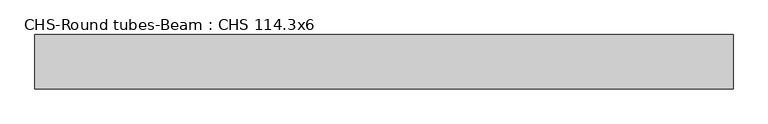
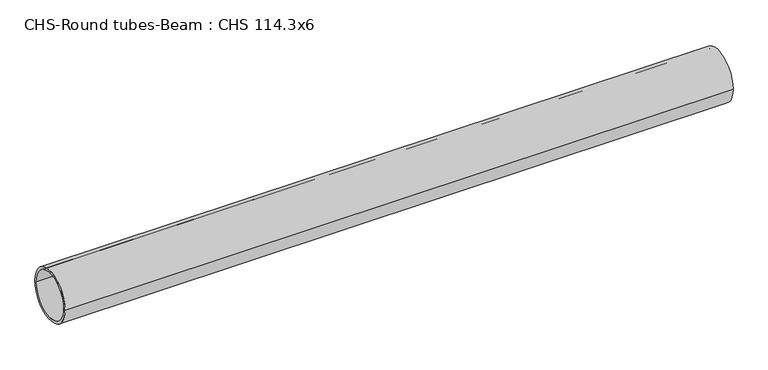
"""IFC4 building model written with IfcOpenShell, lengths in millimetres: beam geometry, CHS-Round tubes-Beam : CHS 114.3x6."""

from ifc_helpers import new_model, si_unit, point, frame, origin, origin_2d, place, context, project, spatial, circle_curve, trimmed, segment, composite_curve, outline, extrude, source, transform, mapped, element, save


def chs_round_tubes_beam_chs_114_3x6_07d34d9e(model_context):
    return source(origin(), model_context, "Body", "SweptSolid", [
        extrude(outline(composite_curve([segment(trimmed(circle_curve(origin_2d(), 57.15), [point((57.15, 0.0))], [point((-57.15, 0.0))], False, "CARTESIAN"), True, "CONTINUOUS"), segment(trimmed(circle_curve(origin_2d(), 57.15), [point((-57.15, 0.0))], [point((57.15, 0.0))], False, "CARTESIAN"), True, "CONTINUOUS")], self_intersect=False), holes=[composite_curve([segment(trimmed(circle_curve(origin_2d(), 51.15), [point((51.15, 0.0))], [point((-51.15, 0.0))], True, "CARTESIAN"), True, "CONTINUOUS"), segment(trimmed(circle_curve(origin_2d(), 51.15), [point((-51.15, 0.0))], [point((51.15, 0.0))], True, "CARTESIAN"), True, "CONTINUOUS")], self_intersect=False)]), frame((-702.4622101, 0.0, 0.0), z_axis=(1.0, 0.0, 0.0), x_axis=(0.0, 1.0, 0.0)), (0.0, 0.0, 1.0), 1465.2860697),
    ])


if __name__ == "__main__":
    model = new_model("IFC4")
    model_context = context("Model", 3, world=origin())
    ifc_project = project(units=[si_unit("LENGTHUNIT", "METRE", prefix="MILLI")], contexts=[model_context])
    site = spatial("IfcSite", under=ifc_project)
    building = spatial("IfcBuilding", under=site)
    placement = place(None, origin())
    chs_round_tubes_beam_chs_114_3x6_shape = chs_round_tubes_beam_chs_114_3x6_07d34d9e(model_context)
    element("IfcBeam", 1, ObjectType="CHS-Round tubes-Beam : CHS 114.3x6", at=placement, inside=building, context=model_context, shape_type="MappedRepresentation", body=[
        mapped(chs_round_tubes_beam_chs_114_3x6_shape, transform((0.0, 0.0, 0.0), x_axis=(1.0, 0.0, 0.0), y_axis=(0.0, 1.0, 0.0), z_axis=(0.0, 0.0, 1.0))),
    ])
    save(model, "model.ifc")
